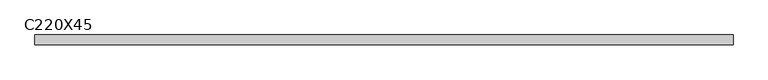
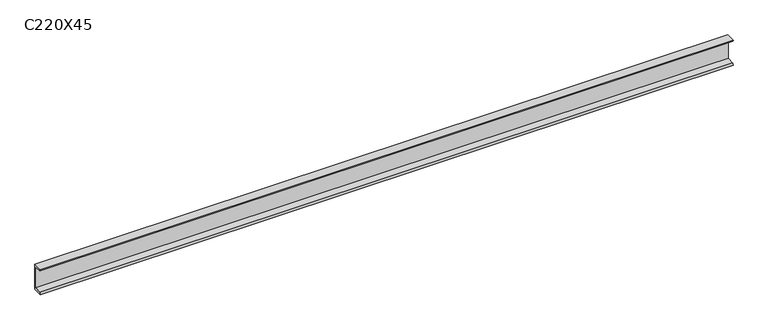
"""IFC4 building model written with IfcOpenShell, lengths in millimetres: beam geometry, C220X45."""

import ifcopenshell
import ifcopenshell.guid

model = None  # the IFC model being written
_history = None  # IfcOwnerHistory: only IFC2X3 demands one
_inside = {}  # id of a spatial element -> (the spatial element, [elements in it])
_under = {}  # id of a project, library or spatial element -> (it, [spatial elements below it])
_declared = {}  # id of a project -> (the project, [libraries it declares])
_typed = {}  # id of a type object -> (the type object, [elements of that type])
_made_of = {}  # id of a material, layer set ... -> (it, [elements and type objects made of it])


def new_model(schema):
    """Start an empty IFC model of exactly this schema.

    Asked for "IFC4X3", IfcOpenShell would pick the latest addendum, in which some entities
    have other attributes; the version numbers below select the first issue.
    IFC2X3 requires an IfcOwnerHistory on every rooted entity: one is made here for all.
    """
    global model, _history
    if schema == "IFC4X3":
        model = ifcopenshell.file(schema_version=(4, 3, 0, 0))
    else:
        model = ifcopenshell.file(schema=schema)
    _inside.clear()
    _under.clear()
    _declared.clear()
    _typed.clear()
    _made_of.clear()
    _history = None
    if model.schema == "IFC2X3":
        org = make("IfcOrganization", Name="unknown")
        user = make(
            "IfcPersonAndOrganization",
            ThePerson=make("IfcPerson", FamilyName="unknown"),
            TheOrganization=org,
        )
        app = make(
            "IfcApplication",
            ApplicationDeveloper=org,
            Version="unknown",
            ApplicationFullName="unknown",
            ApplicationIdentifier="unknown",
        )
        _history = make(
            "IfcOwnerHistory",
            OwningUser=user,
            OwningApplication=app,
            ChangeAction="ADDED",
            CreationDate=0,
        )
    return model


def make(cls, **values):
    """One entity of the class cls with the attributes given. An attribute that is None is left unset."""
    return model.create_entity(
        cls, **{name: value for name, value in values.items() if value is not None}
    )


def rooted(cls, **values):
    """An entity with a GlobalId (a new one), such as an element, a storey or a relation."""
    return make(cls, GlobalId=ifcopenshell.guid.new(), OwnerHistory=_history, **values)


def si_unit(unit_type, name, prefix=None):
    """IfcSIUnit, for example si_unit("LENGTHUNIT", "METRE", prefix="MILLI")."""
    return make("IfcSIUnit", UnitType=unit_type, Prefix=prefix, Name=name)


def assignment(units):
    """IfcUnitAssignment: the units of a project."""
    return None if units is None else make("IfcUnitAssignment", Units=units)


def point(xyz):
    """IfcCartesianPoint."""
    return None if xyz is None else make("IfcCartesianPoint", Coordinates=xyz)


def direction(xyz):
    """IfcDirection."""
    return None if xyz is None else make("IfcDirection", DirectionRatios=xyz)


def frame(location, z_axis=None, x_axis=None):
    """IfcAxis2Placement3D, a coordinate frame: its origin and axes. An axis left out is left unset."""
    return make(
        "IfcAxis2Placement3D",
        Location=point(location),
        Axis=direction(z_axis),
        RefDirection=direction(x_axis),
    )


def frame_2d(location, x_axis=None):
    """IfcAxis2Placement2D, a coordinate frame in the plane: its origin and x axis."""
    return make(
        "IfcAxis2Placement2D", Location=point(location), RefDirection=direction(x_axis)
    )


def origin():
    """The frame at (0, 0, 0) with its axes left unset."""
    return frame((0.0, 0.0, 0.0))


def place(relative_to, where):
    """IfcLocalPlacement: puts the frame where relative to a parent placement (None: the world)."""
    return make(
        "IfcLocalPlacement", PlacementRelTo=relative_to, RelativePlacement=where
    )


def context(
    kind, dimensions, precision=None, world=None, true_north=None, identifier=None
):
    """IfcGeometricRepresentationContext, for example the 3D "Model" context."""
    return make(
        "IfcGeometricRepresentationContext",
        ContextIdentifier=identifier,
        ContextType=kind,
        CoordinateSpaceDimension=dimensions,
        Precision=precision,
        WorldCoordinateSystem=world,
        TrueNorth=true_north,
    )


def project(units=None, contexts=None):
    """IfcProject with its units and contexts."""
    return rooted(
        "IfcProject",
        Name="project",
        RepresentationContexts=contexts,
        UnitsInContext=assignment(units),
    )


def spatial(cls, under=None, at=None, **own):
    """A site, building, storey or space (cls), placed at a placement, below another one or the project."""
    s = rooted(cls, ObjectPlacement=at, **own)
    if under is not None:
        _under.setdefault(under.id(), (under, []))[1].append(s)
    return s


def polyline(points):
    """IfcPolyline through the points."""
    return make("IfcPolyline", Points=[point(p) for p in points])


def circle_curve(where, radius):
    """IfcCircle in the frame where."""
    return make("IfcCircle", Position=where, Radius=radius)


def trimmed(basis, trim1, trim2, sense, master):
    """IfcTrimmedCurve: the piece of a basis curve between two trims."""
    return make(
        "IfcTrimmedCurve",
        BasisCurve=basis,
        Trim1=trim1,
        Trim2=trim2,
        SenseAgreement=sense,
        MasterRepresentation=master,
    )


def segment(curve, same_sense, transition):
    """IfcCompositeCurveSegment."""
    return make(
        "IfcCompositeCurveSegment",
        Transition=transition,
        SameSense=same_sense,
        ParentCurve=curve,
    )


def composite_curve(segments, self_intersect=None):
    """IfcCompositeCurve: segments joined end to end."""
    return make("IfcCompositeCurve", Segments=segments, SelfIntersect=self_intersect)


def outline(outer, holes=None, kind="AREA"):
    """IfcArbitraryClosedProfileDef: a profile drawn as a closed curve; with holes, ...WithVoids."""
    if holes is None:
        return make("IfcArbitraryClosedProfileDef", ProfileType=kind, OuterCurve=outer)
    return make(
        "IfcArbitraryProfileDefWithVoids",
        ProfileType=kind,
        OuterCurve=outer,
        InnerCurves=holes,
    )


def extrude(swept, where, along, depth):
    """IfcExtrudedAreaSolid: the profile swept, set in the frame where, extruded along a direction by depth."""
    return make(
        "IfcExtrudedAreaSolid",
        SweptArea=swept,
        Position=where,
        ExtrudedDirection=direction(along),
        Depth=depth,
    )


def shape(context_of_items, identifier, shape_type, items):
    """IfcShapeRepresentation: the items that make up one representation, for example the "Body"."""
    return make(
        "IfcShapeRepresentation",
        ContextOfItems=context_of_items,
        RepresentationIdentifier=identifier,
        RepresentationType=shape_type,
        Items=items,
    )


def source(mapping_origin, context_of_items, identifier, shape_type, items):
    """IfcRepresentationMap: a shape defined once, which mapped items show again and again."""
    return make(
        "IfcRepresentationMap",
        MappingOrigin=mapping_origin,
        MappedRepresentation=shape(context_of_items, identifier, shape_type, items),
    )


def transform(
    local_origin,
    x_axis=None,
    y_axis=None,
    z_axis=None,
    scale=None,
    scale2=None,
    scale3=None,
    uniform=True,
):
    """IfcCartesianTransformationOperator3D, or its non-uniform kind. x_axis, y_axis, z_axis: its Axis1, 2, 3."""
    if uniform:
        return make(
            "IfcCartesianTransformationOperator3D",
            Axis1=direction(x_axis),
            Axis2=direction(y_axis),
            LocalOrigin=point(local_origin),
            Scale=scale,
            Axis3=direction(z_axis),
        )
    return make(
        "IfcCartesianTransformationOperator3DnonUniform",
        Axis1=direction(x_axis),
        Axis2=direction(y_axis),
        LocalOrigin=point(local_origin),
        Scale=scale,
        Axis3=direction(z_axis),
        Scale2=scale2,
        Scale3=scale3,
    )


def mapped(mapping_source, mapping_target):
    """IfcMappedItem: shows the shape of a source again, moved by a transform."""
    return make(
        "IfcMappedItem", MappingSource=mapping_source, MappingTarget=mapping_target
    )


def made_of(thing, what):
    """Note that an element or type object is made of a material, layer set ...; save() writes the relation."""
    if what is not None:
        _made_of.setdefault(what.id(), (what, []))[1].append(thing)
    return thing


def element(
    cls,
    number,
    at=None,
    inside=None,
    cuts=None,
    type_object=None,
    material=None,
    context=None,
    identifier="Body",
    shape_type=None,
    held_by="IfcProductDefinitionShape",
    body=None,
    shapes=None,
    **own,
):
    """One element of the class cls, such as IfcWall. Its Tag is "e" and its number.

    at: its placement. inside: the storey or other place that contains it. cuts: it is an
    opening in that element (IfcRelVoidsElement). A single representation is given by context,
    identifier, shape_type and body (its items); several are given by shapes. held_by: the class
    of the entity that holds the representations. save() writes the other relations.
    """
    e = rooted(cls, Tag="e%d" % number, ObjectPlacement=at, **own)
    if body is not None:
        shapes = [shape(context, identifier, shape_type, body)]
    if shapes is not None:
        e.Representation = make(held_by, Representations=shapes)
    if inside is not None:
        _inside.setdefault(inside.id(), (inside, []))[1].append(e)
    if cuts is not None:
        rooted(
            "IfcRelVoidsElement", RelatingBuildingElement=cuts, RelatedOpeningElement=e
        )
    if type_object is not None:
        _typed.setdefault(type_object.id(), (type_object, []))[1].append(e)
    return made_of(e, material)


def aggregate(whole, parts):
    """IfcRelAggregates: a whole, such as a stair, and the parts it consists of."""
    return rooted("IfcRelAggregates", RelatingObject=whole, RelatedObjects=parts)


def save(model, path):
    """Write the relations noted so far, then the file.

    IfcRelAggregates (storeys below a building ...), IfcRelContainedInSpatialStructure (elements
    in a storey), IfcRelDefinesByType, IfcRelAssociatesMaterial and IfcRelDeclares: one each for
    every whole, place, type object, material and project.
    """
    for whole, parts in _under.values():
        aggregate(whole, parts)
    for where, things in _inside.values():
        rooted(
            "IfcRelContainedInSpatialStructure",
            RelatedElements=things,
            RelatingStructure=where,
        )
    for kind, things in _typed.values():
        rooted("IfcRelDefinesByType", RelatedObjects=things, RelatingType=kind)
    for what, things in _made_of.values():
        rooted("IfcRelAssociatesMaterial", RelatedObjects=things, RelatingMaterial=what)
    for by, libraries in _declared.values():
        rooted("IfcRelDeclares", RelatingContext=by, RelatedDefinitions=libraries)
    model.write(path)


def c220x45_40030fc7(model_context):
    return source(origin(), model_context, "Body", "SweptSolid", [
        extrude(outline(composite_curve([segment(polyline([(17.0, 110.0), (17.0, -110.0), (-64.0, -110.0)]), True, "CONTINUOUS"), segment(trimmed(circle_curve(frame_2d((-51.0, -110.0)), 13.0), [point((-64.0, -110.0))], [point((-51.0, -97.0))], False, "CARTESIAN"), True, "CONTINUOUS"), segment(polyline([(-51.0, -97.0), (4.0, -88.2888558), (4.0, 88.2888558), (-51.0, 97.0)]), True, "CONTINUOUS"), segment(trimmed(circle_curve(frame_2d((-51.0, 110.0)), 13.0), [point((-51.0, 97.0))], [point((-64.0, 110.0))], False, "CARTESIAN"), True, "CONTINUOUS"), segment(polyline([(-64.0, 110.0), (17.0, 110.0)]), True, "CONTINUOUS")], self_intersect=False)), frame((-2934.3890674, 0.0, 0.0), z_axis=(1.0, 0.0, 0.0), x_axis=(0.0, 1.0, 0.0)), (0.0, 0.0, 1.0), 5803.8890674),
    ])


if __name__ == "__main__":
    model = new_model("IFC4")
    model_context = context("Model", 3, world=origin())
    ifc_project = project(units=[si_unit("LENGTHUNIT", "METRE", prefix="MILLI")], contexts=[model_context])
    site = spatial("IfcSite", under=ifc_project)
    building = spatial("IfcBuilding", under=site)
    placement = place(None, origin())
    c220x45_shape = c220x45_40030fc7(model_context)
    element("IfcBeam", 1, ObjectType="C220X45", at=placement, inside=building, context=model_context, shape_type="MappedRepresentation", body=[
        mapped(c220x45_shape, transform((0.0, 0.0, 0.0), x_axis=(1.0, 0.0, 0.0), y_axis=(0.0, 1.0, 0.0), z_axis=(0.0, 0.0, 1.0))),
    ])
    save(model, "model.ifc")
